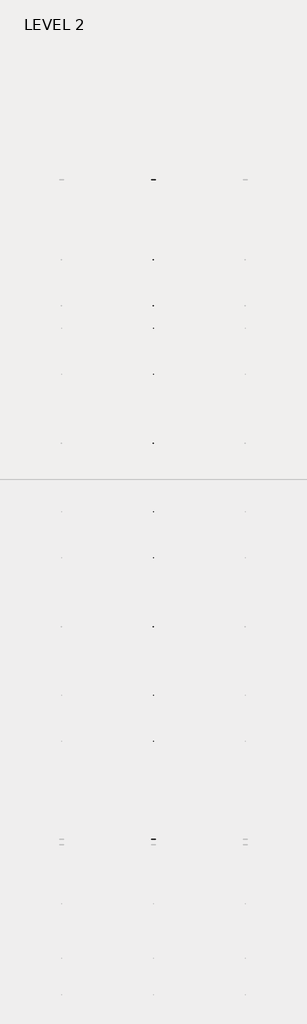
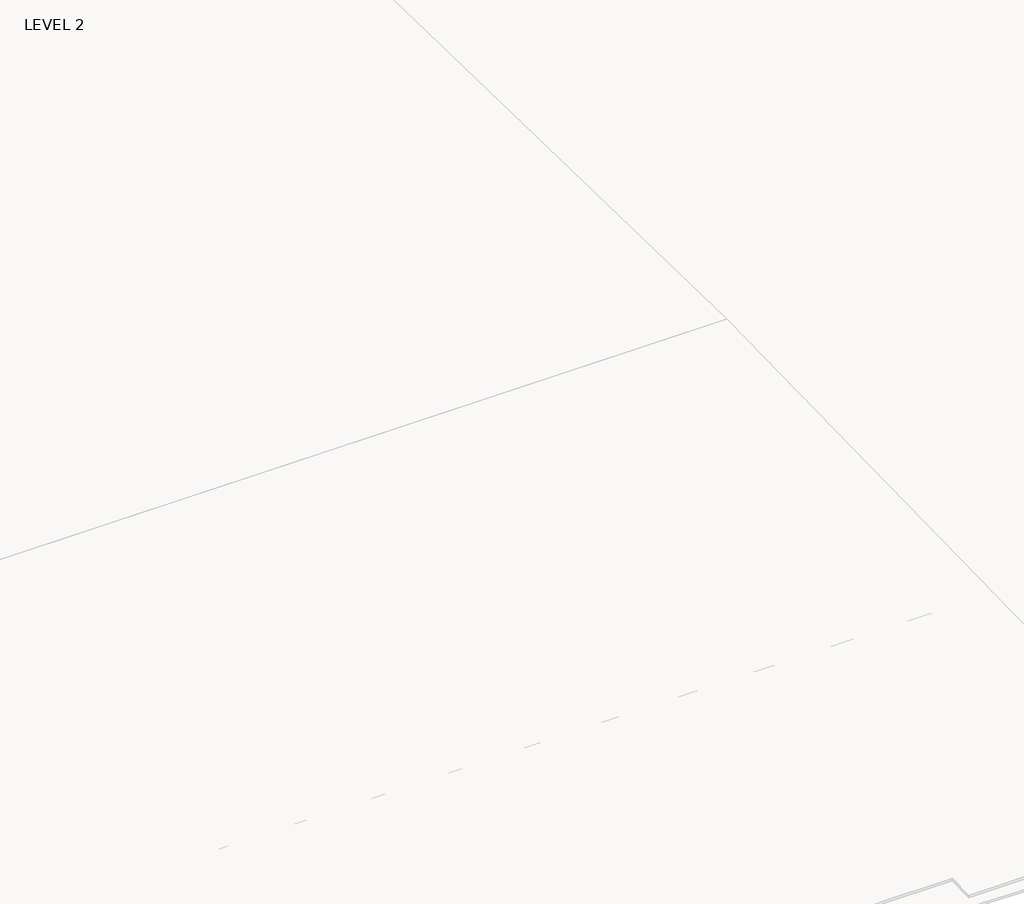
# One storey, part 62 of 67: 1 beam.
"""IFC4 building model written with IfcOpenShell, lengths in millimetres."""

import ifcopenshell
import ifcopenshell.guid

model = None  # the IFC model being written
_history = None  # IfcOwnerHistory: only IFC2X3 demands one
_inside = {}  # id of a spatial element -> (the spatial element, [elements in it])
_under = {}  # id of a project, library or spatial element -> (it, [spatial elements below it])
_declared = {}  # id of a project -> (the project, [libraries it declares])
_typed = {}  # id of a type object -> (the type object, [elements of that type])
_made_of = {}  # id of a material, layer set ... -> (it, [elements and type objects made of it])


def new_model(schema):
    """Start an empty IFC model of exactly this schema.

    Asked for "IFC4X3", IfcOpenShell would pick the latest addendum, in which some entities
    have other attributes; the version numbers below select the first issue.
    IFC2X3 requires an IfcOwnerHistory on every rooted entity: one is made here for all.
    """
    global model, _history
    if schema == "IFC4X3":
        model = ifcopenshell.file(schema_version=(4, 3, 0, 0))
    else:
        model = ifcopenshell.file(schema=schema)
    _inside.clear()
    _under.clear()
    _declared.clear()
    _typed.clear()
    _made_of.clear()
    _history = None
    if model.schema == "IFC2X3":
        org = make("IfcOrganization", Name="unknown")
        user = make(
            "IfcPersonAndOrganization",
            ThePerson=make("IfcPerson", FamilyName="unknown"),
            TheOrganization=org,
        )
        app = make(
            "IfcApplication",
            ApplicationDeveloper=org,
            Version="unknown",
            ApplicationFullName="unknown",
            ApplicationIdentifier="unknown",
        )
        _history = make(
            "IfcOwnerHistory",
            OwningUser=user,
            OwningApplication=app,
            ChangeAction="ADDED",
            CreationDate=0,
        )
    return model


def make(cls, **values):
    """One entity of the class cls with the attributes given. An attribute that is None is left unset."""
    return model.create_entity(
        cls, **{name: value for name, value in values.items() if value is not None}
    )


def rooted(cls, **values):
    """An entity with a GlobalId (a new one), such as an element, a storey or a relation."""
    return make(cls, GlobalId=ifcopenshell.guid.new(), OwnerHistory=_history, **values)


def si_unit(unit_type, name, prefix=None):
    """IfcSIUnit, for example si_unit("LENGTHUNIT", "METRE", prefix="MILLI")."""
    return make("IfcSIUnit", UnitType=unit_type, Prefix=prefix, Name=name)


def assignment(units):
    """IfcUnitAssignment: the units of a project."""
    return None if units is None else make("IfcUnitAssignment", Units=units)


def point(xyz):
    """IfcCartesianPoint."""
    return None if xyz is None else make("IfcCartesianPoint", Coordinates=xyz)


def direction(xyz):
    """IfcDirection."""
    return None if xyz is None else make("IfcDirection", DirectionRatios=xyz)


def frame(location, z_axis=None, x_axis=None):
    """IfcAxis2Placement3D, a coordinate frame: its origin and axes. An axis left out is left unset."""
    return make(
        "IfcAxis2Placement3D",
        Location=point(location),
        Axis=direction(z_axis),
        RefDirection=direction(x_axis),
    )


def origin():
    """The frame at (0, 0, 0) with its axes left unset."""
    return frame((0.0, 0.0, 0.0))


def place(relative_to, where):
    """IfcLocalPlacement: puts the frame where relative to a parent placement (None: the world)."""
    return make(
        "IfcLocalPlacement", PlacementRelTo=relative_to, RelativePlacement=where
    )


def context(
    kind, dimensions, precision=None, world=None, true_north=None, identifier=None
):
    """IfcGeometricRepresentationContext, for example the 3D "Model" context."""
    return make(
        "IfcGeometricRepresentationContext",
        ContextIdentifier=identifier,
        ContextType=kind,
        CoordinateSpaceDimension=dimensions,
        Precision=precision,
        WorldCoordinateSystem=world,
        TrueNorth=true_north,
    )


def project(units=None, contexts=None):
    """IfcProject with its units and contexts."""
    return rooted(
        "IfcProject",
        Name="project",
        RepresentationContexts=contexts,
        UnitsInContext=assignment(units),
    )


def spatial(cls, under=None, at=None, **own):
    """A site, building, storey or space (cls), placed at a placement, below another one or the project."""
    s = rooted(cls, ObjectPlacement=at, **own)
    if under is not None:
        _under.setdefault(under.id(), (under, []))[1].append(s)
    return s


def polyline(points):
    """IfcPolyline through the points."""
    return make("IfcPolyline", Points=[point(p) for p in points])


def outline(outer, holes=None, kind="AREA"):
    """IfcArbitraryClosedProfileDef: a profile drawn as a closed curve; with holes, ...WithVoids."""
    if holes is None:
        return make("IfcArbitraryClosedProfileDef", ProfileType=kind, OuterCurve=outer)
    return make(
        "IfcArbitraryProfileDefWithVoids",
        ProfileType=kind,
        OuterCurve=outer,
        InnerCurves=holes,
    )


def extrude(swept, where, along, depth):
    """IfcExtrudedAreaSolid: the profile swept, set in the frame where, extruded along a direction by depth."""
    return make(
        "IfcExtrudedAreaSolid",
        SweptArea=swept,
        Position=where,
        ExtrudedDirection=direction(along),
        Depth=depth,
    )


def faces_of(points, faces, orient=None, outer=None):
    """IfcFace entities. A face is a list of loops; a loop is a list of indices into points, from 0.

    orient and outer hold one flag for each loop. By default every Orientation is true, the
    first loop of a face is its IfcFaceOuterBound and the others are IfcFaceBound.
    """
    made = []
    for i, loops in enumerate(faces):
        bounds = []
        for j, loop in enumerate(loops):
            is_outer = j == 0 if outer is None else outer[i][j]
            bounds.append(
                make(
                    "IfcFaceOuterBound" if is_outer else "IfcFaceBound",
                    Bound=make("IfcPolyLoop", Polygon=[points[k] for k in loop]),
                    Orientation=True if orient is None else orient[i][j],
                )
            )
        made.append(make("IfcFace", Bounds=bounds))
    return made


def faceted_brep(points, faces, orient=None, outer=None, voids=None):
    """IfcFacetedBrep: a solid bounded by flat faces; with voids (closed shells), ...WithVoids."""
    shared = [point(p) for p in points]
    hull = make("IfcClosedShell", CfsFaces=faces_of(shared, faces, orient, outer))
    if voids is None:
        return make("IfcFacetedBrep", Outer=hull)
    return make(
        "IfcFacetedBrepWithVoids",
        Outer=hull,
        Voids=[
            make(cls, CfsFaces=faces_of(shared, fs, o, b)) for cls, fs, o, b in voids
        ],
    )


def shape(context_of_items, identifier, shape_type, items):
    """IfcShapeRepresentation: the items that make up one representation, for example the "Body"."""
    return make(
        "IfcShapeRepresentation",
        ContextOfItems=context_of_items,
        RepresentationIdentifier=identifier,
        RepresentationType=shape_type,
        Items=items,
    )


def made_of(thing, what):
    """Note that an element or type object is made of a material, layer set ...; save() writes the relation."""
    if what is not None:
        _made_of.setdefault(what.id(), (what, []))[1].append(thing)
    return thing


def element(
    cls,
    number,
    at=None,
    inside=None,
    cuts=None,
    type_object=None,
    material=None,
    context=None,
    identifier="Body",
    shape_type=None,
    held_by="IfcProductDefinitionShape",
    body=None,
    shapes=None,
    **own,
):
    """One element of the class cls, such as IfcWall. Its Tag is "e" and its number.

    at: its placement. inside: the storey or other place that contains it. cuts: it is an
    opening in that element (IfcRelVoidsElement). A single representation is given by context,
    identifier, shape_type and body (its items); several are given by shapes. held_by: the class
    of the entity that holds the representations. save() writes the other relations.
    """
    e = rooted(cls, Tag="e%d" % number, ObjectPlacement=at, **own)
    if body is not None:
        shapes = [shape(context, identifier, shape_type, body)]
    if shapes is not None:
        e.Representation = make(held_by, Representations=shapes)
    if inside is not None:
        _inside.setdefault(inside.id(), (inside, []))[1].append(e)
    if cuts is not None:
        rooted(
            "IfcRelVoidsElement", RelatingBuildingElement=cuts, RelatedOpeningElement=e
        )
    if type_object is not None:
        _typed.setdefault(type_object.id(), (type_object, []))[1].append(e)
    return made_of(e, material)


def aggregate(whole, parts):
    """IfcRelAggregates: a whole, such as a stair, and the parts it consists of."""
    return rooted("IfcRelAggregates", RelatingObject=whole, RelatedObjects=parts)


def save(model, path):
    """Write the relations noted so far, then the file.

    IfcRelAggregates (storeys below a building ...), IfcRelContainedInSpatialStructure (elements
    in a storey), IfcRelDefinesByType, IfcRelAssociatesMaterial and IfcRelDeclares: one each for
    every whole, place, type object, material and project.
    """
    for whole, parts in _under.values():
        aggregate(whole, parts)
    for where, things in _inside.values():
        rooted(
            "IfcRelContainedInSpatialStructure",
            RelatedElements=things,
            RelatingStructure=where,
        )
    for kind, things in _typed.values():
        rooted("IfcRelDefinesByType", RelatedObjects=things, RelatingType=kind)
    for what, things in _made_of.values():
        rooted("IfcRelAssociatesMaterial", RelatedObjects=things, RelatingMaterial=what)
    for by, libraries in _declared.values():
        rooted("IfcRelDeclares", RelatingContext=by, RelatedDefinitions=libraries)
    model.write(path)


model = new_model("IFC4")

# Units and contexts
model_context = context("Model", 3, world=origin())
ifc_project = project(units=[si_unit("LENGTHUNIT", "METRE", prefix="MILLI")], contexts=[model_context])

# Site, building, storey
site = spatial("IfcSite", under=ifc_project)
building = spatial("IfcBuilding", under=site)
storey = spatial("IfcBuildingStorey", under=building, Name="LEVEL 2", Elevation=6908.8)

# Beam
placement = place(None, origin())
element("IfcBeam", 1, ObjectType="K-Series Bar Joist-Angle Web : 30K7", at=placement, inside=storey, context=model_context, shape_type="SolidModel", body=[
    extrude(outline(polyline([(0.0, -9.525), (0.0, 0.0), (1596.011582, 0.0), (1596.011582, -9.525), (0.0, -9.525)])), frame((57248.2658942, 3035.5608234, 6301.5998528), z_axis=(0.0, -0.45537207995192985, 0.8903012236317849), x_axis=(0.0, -0.8903012236317849, -0.45537207995192985)), (0.0, 0.0, 1.0), 9.525),
    extrude(outline(polyline([(0.0, -9.525), (0.0, 0.0), (1596.011582, 0.0), (1596.011582, -9.525), (0.0, -9.525)])), frame((57238.7408942, -9405.2089013, 6276.405159), z_axis=(0.0, 0.45176233395621196, 0.8921383265046045), x_axis=(0.0, 0.8921383265046045, -0.45176233395621196)), (0.0, 0.0, 1.0), 9.525),
    extrude(outline(polyline([(4.7625, 4.7625), (4.7625, -4.7625), (-4.7625, -4.7625), (-4.7625, 4.7625), (4.7625, 4.7625)])), frame((57243.5033942, 1612.4610495, 5579.0607987), z_axis=(0.0, 0.5141906943646374, 0.8576758885667779), x_axis=(-1.0, 0.0, 0.0)), (0.0, 0.0, 1.0), 845.0528554),
    extrude(outline(polyline([(4.7625, 4.7625), (4.7625, -4.7625), (-4.7625, -4.7625), (-4.7625, 4.7625), (4.7625, 4.7625)])), frame((57243.5033942, -7979.1942813, 5559.6360505), z_axis=(0.0, -0.5176603441548682, 0.8555862131249332), x_axis=(-1.0, 0.0, 0.0)), (0.0, 0.0, 1.0), 845.0528554),
    extrude(outline(polyline([(0.0, 0.0), (31.75, 0.0), (31.75, -6.35), (6.35, -6.35), (6.35, -31.75), (0.0, -31.75), (0.0, 0.0)])), frame((57248.2658942, -8080.7812131, 5553.0803065), z_axis=(0.0, 0.9999979493462576, 0.0020251674695521043), x_axis=(1.0, 0.0, 0.0)), (0.0, 0.0, 1.0), 9794.875),
    extrude(outline(polyline([(-9.525, 0.0), (-9.525, -31.75), (-15.875, -31.75), (-15.875, -6.35), (-41.275, -6.35), (-41.275, 0.0), (-9.525, 0.0)])), frame((57248.2658942, -8080.7812131, 5553.0803065), z_axis=(0.0, 0.9999979493462576, 0.0020251674695521043), x_axis=(1.0, 0.0, 0.0)), (0.0, 0.0, 1.0), 9794.875),
    extrude(outline(polyline([(-31.75, 0.0), (0.0, 0.0), (0.0, -6.35), (-25.4, -6.35), (-25.4, -31.75), (-31.75, -31.75), (-31.75, 0.0)])), frame((57280.0158942, -9504.5928758, 6248.6982759), z_axis=(0.0, 0.9999979493462576, 0.0020251674695521043), x_axis=(1.0, 0.0, 0.0)), (0.0, 0.0, 1.0), 101.6),
    extrude(outline(polyline([(-41.275, 0.0), (-41.275, -31.75), (-47.625, -31.75), (-47.625, -6.35), (-73.025, -6.35), (-73.025, 0.0), (-41.275, 0.0)])), frame((57280.0158942, -9504.5928758, 6248.6982759), z_axis=(0.0, 0.9999979493462576, 0.0020251674695521043), x_axis=(1.0, 0.0, 0.0)), (0.0, 0.0, 1.0), 101.6),
    extrude(outline(polyline([(0.0, 0.0), (31.75, 0.0), (31.75, -6.35), (6.35, -6.35), (6.35, -31.75), (0.0, -31.75), (0.0, 0.0)])), frame((57238.7408942, 3033.456413, 6274.0899775), z_axis=(0.0, 0.9999979493462576, 0.0020251674695521043), x_axis=(0.0, -0.0020251674695521043, 0.9999979493462576)), (0.0, 0.0, 1.0), 101.6),
    extrude(outline(polyline([(0.0, 41.275), (6.35, 41.275), (6.35, 15.875), (31.75, 15.875), (31.75, 9.525), (0.0, 9.525), (0.0, 41.275)])), frame((57238.7408942, 3033.456413, 6274.0899775), z_axis=(0.0, 0.9999979493462576, 0.0020251674695521043), x_axis=(0.0, -0.0020251674695521043, 0.9999979493462576)), (0.0, 0.0, 1.0), 101.6),
    extrude(outline(polyline([(0.0, 0.0), (31.75, 0.0), (31.75, -6.35), (6.35, -6.35), (6.35, -31.75), (0.0, -31.75), (0.0, 0.0)])), frame((57248.2658942, -9504.7214739, 6312.1981457), z_axis=(0.0, 0.9999979493462576, 0.0020251674695521043), x_axis=(0.0, 0.0020251674695521043, -0.9999979493462576)), (0.0, 0.0, 1.0), 12639.675),
    extrude(outline(polyline([(0.0, 9.525), (0.0, 41.275), (6.35, 41.275), (6.35, 15.875), (31.75, 15.875), (31.75, 9.525), (0.0, 9.525)])), frame((57248.2658942, -9504.7214739, 6312.1981457), z_axis=(0.0, 0.9999979493462576, 0.0020251674695521043), x_axis=(0.0, 0.0020251674695521043, -0.9999979493462576)), (0.0, 0.0, 1.0), 12639.675),
    faceted_brep([(57243.5033942, 1612.4289, 5594.9357661), (57243.5033942, 1612.4674794, 5575.8858052), (57238.7408942, 1612.4674794, 5575.8858052), (57238.7408942, 1612.4289, 5594.9357661), (57243.5033942, 1611.5910583, 5594.9340693), (57243.5033942, 1186.8149607, 6330.6753354), (57243.5033942, 1168.6028414, 6330.6384527), (57243.5033942, 1168.6414208, 6311.5884918), (57243.5033942, 1175.8292494, 6311.6030483), (57243.5033942, 1600.6053471, 5575.8617823), (57238.7408942, 1600.6053471, 5575.8617823), (57238.7408942, 1580.4651011, 5610.7460665), (57238.7408942, 1584.5895575, 5613.1272983), (57238.7408942, 1189.1083632, 6298.1277874), (57238.7408942, 1184.9839067, 6295.7465555), (57238.7408942, 1175.8292494, 6311.6030483), (57238.7408942, 1168.6414208, 6311.5884918), (57238.7408942, 1168.6028414, 6330.6384527), (57238.7408942, 1186.8149607, 6330.6753354), (57238.7408942, 1611.5910583, 5594.9340693), (57226.0408942, 1184.9839067, 6295.7465555), (57226.0408942, 1580.4651011, 5610.7460665), (57226.0408942, 1584.5895575, 5613.1272983), (57226.0408942, 1189.1083632, 6298.1277874)], [[[0, 1, 2, 3]], [[1, 0, 4, 5, 6, 7, 8, 9]], [[2, 1, 9, 10]], [[3, 2, 10, 11, 12, 13, 14, 15, 16, 17, 18, 19]], [[0, 3, 19, 4]], [[9, 8, 15, 14, 20, 21, 11, 10]], [[5, 4, 19, 18]], [[7, 6, 17, 16]], [[8, 7, 16, 15]], [[6, 5, 18, 17]], [[21, 22, 12, 11]], [[20, 14, 13, 23]], [[22, 21, 20, 23]], [[12, 22, 23, 13]]]),
    extrude(outline(polyline([(740.498813, 5574.119919), (740.4602335, 5593.1698799), (741.2980751, 5593.1715767), (1163.090696, 6330.6272897), (1181.3028154, 6330.6641723), (1181.3413948, 6311.6142114), (1174.1535662, 6311.5996548), (752.3609453, 5574.1439418), (740.498813, 5574.119919)])), frame((57243.5033942, 0.0, 0.0), z_axis=(1.0, 0.0, 0.0), x_axis=(0.0, 1.0, 0.0)), (0.0, 0.0, 1.0), 4.7625),
    extrude(outline(polyline([(-4.7625, 4.7625), (-4.7625, 0.0), (-17.4625, 0.0), (-17.4625, 4.7625), (-4.7625, 4.7625)])), frame((57243.5033942, 772.3597334, 5609.1095144), z_axis=(0.0, 0.4964843899757221, 0.8680456500152716), x_axis=(-1.0, 0.0, 0.0)), (0.0, 0.0, 1.0), 790.9684223),
    faceted_brep([(57243.5033942, -7107.2577644, 5577.2769041), (57243.5033942, -7107.219185, 5558.2269432), (57238.7408942, -7107.219185, 5558.2269432), (57238.7408942, -7107.2577644, 5577.2769041), (57243.5033942, -7108.095606, 5577.2752074), (57243.5033942, -7532.8717036, 6313.0164734), (57243.5033942, -7551.083823, 6312.9795907), (57243.5033942, -7551.0452435, 6293.9296298), (57243.5033942, -7543.8574149, 6293.9441864), (57243.5033942, -7119.0813173, 5558.2029203), (57238.7408942, -7119.0813173, 5558.2029203), (57238.7408942, -7139.2215633, 5593.0872045), (57238.7408942, -7135.0971068, 5595.4684363), (57238.7408942, -7530.5783012, 6280.4689254), (57238.7408942, -7534.7027576, 6278.0876936), (57238.7408942, -7543.8574149, 6293.9441864), (57238.7408942, -7551.0452435, 6293.9296298), (57238.7408942, -7551.083823, 6312.9795907), (57238.7408942, -7532.8717036, 6313.0164734), (57238.7408942, -7108.095606, 5577.2752074), (57226.0408942, -7534.7027576, 6278.0876936), (57226.0408942, -7139.2215633, 5593.0872045), (57226.0408942, -7135.0971068, 5595.4684363), (57226.0408942, -7530.5783012, 6280.4689254)], [[[0, 1, 2, 3]], [[1, 0, 4, 5, 6, 7, 8, 9]], [[2, 1, 9, 10]], [[3, 2, 10, 11, 12, 13, 14, 15, 16, 17, 18, 19]], [[0, 3, 19, 4]], [[9, 8, 15, 14, 20, 21, 11, 10]], [[5, 4, 19, 18]], [[7, 6, 17, 16]], [[8, 7, 16, 15]], [[6, 5, 18, 17]], [[21, 22, 12, 11]], [[20, 14, 13, 23]], [[22, 21, 20, 23]], [[12, 22, 23, 13]]]),
    extrude(outline(polyline([(-7979.1878514, 5556.461057), (-7979.2264308, 5575.5110179), (-7978.3885892, 5575.5127147), (-7556.5959683, 6312.9684277), (-7538.383849, 6313.0053103), (-7538.3452696, 6293.9553494), (-7545.5330982, 6293.9407928), (-7967.3257191, 5556.4850798), (-7979.1878514, 5556.461057)])), frame((57243.5033942, 0.0, 0.0), z_axis=(1.0, 0.0, 0.0), x_axis=(0.0, 1.0, 0.0)), (0.0, 0.0, 1.0), 4.7625),
    extrude(outline(polyline([(-4.7625, 4.7625), (-4.7625, 0.0), (-17.4625, 0.0), (-17.4625, 4.7625), (-4.7625, 4.7625)])), frame((57243.5033942, -7947.326931, 5591.4506524), z_axis=(0.0, 0.4964843899757221, 0.8680456500152716), x_axis=(-1.0, 0.0, 0.0)), (0.0, 0.0, 1.0), 790.9684223),
    faceted_brep([(57243.5033942, 740.4602335, 5593.1698799), (57243.5033942, 740.498813, 5574.119919), (57238.7408942, 740.498813, 5574.119919), (57238.7408942, 740.4602335, 5593.1698799), (57243.5033942, 739.6223919, 5593.1681831), (57243.5033942, 314.8462943, 6328.9094492), (57243.5033942, 296.634175, 6328.8725665), (57243.5033942, 296.6727544, 6309.8226056), (57243.5033942, 303.860583, 6309.8371621), (57243.5033942, 728.6366806, 5574.0958961), (57238.7408942, 728.6366806, 5574.0958961), (57238.7408942, 708.4964346, 5608.9801803), (57238.7408942, 712.6208911, 5611.3614121), (57238.7408942, 317.1396968, 6296.3619012), (57238.7408942, 313.0152403, 6293.9806693), (57238.7408942, 303.860583, 6309.8371621), (57238.7408942, 296.6727544, 6309.8226056), (57238.7408942, 296.634175, 6328.8725665), (57238.7408942, 314.8462943, 6328.9094492), (57238.7408942, 739.6223919, 5593.1681831), (57226.0408942, 313.0152403, 6293.9806693), (57226.0408942, 708.4964346, 5608.9801803), (57226.0408942, 712.6208911, 5611.3614121), (57226.0408942, 317.1396968, 6296.3619012)], [[[0, 1, 2, 3]], [[1, 0, 4, 5, 6, 7, 8, 9]], [[2, 1, 9, 10]], [[3, 2, 10, 11, 12, 13, 14, 15, 16, 17, 18, 19]], [[0, 3, 19, 4]], [[9, 8, 15, 14, 20, 21, 11, 10]], [[5, 4, 19, 18]], [[7, 6, 17, 16]], [[8, 7, 16, 15]], [[6, 5, 18, 17]], [[21, 22, 12, 11]], [[20, 14, 13, 23]], [[22, 21, 20, 23]], [[12, 22, 23, 13]]]),
    extrude(outline(polyline([(-131.4698535, 5572.3540328), (-131.5084329, 5591.4039937), (-130.6705913, 5591.4056905), (291.1220296, 6328.8614035), (309.3341489, 6328.8982861), (309.3727284, 6309.8483252), (302.1848998, 6309.8337686), (-119.6077211, 5572.3780556), (-131.4698535, 5572.3540328)])), frame((57243.5033942, 0.0, 0.0), z_axis=(1.0, 0.0, 0.0), x_axis=(0.0, 1.0, 0.0)), (0.0, 0.0, 1.0), 4.7625),
    extrude(outline(polyline([(-4.7625, 4.7625), (-4.7625, 0.0), (-17.4625, 0.0), (-17.4625, 4.7625), (-4.7625, 4.7625)])), frame((57243.5033942, -99.6089331, 5607.3436282), z_axis=(0.0, 0.4964843899757221, 0.8680456500152716), x_axis=(-1.0, 0.0, 0.0)), (0.0, 0.0, 1.0), 790.9684223),
    faceted_brep([(57243.5033942, -131.5084329, 5591.4039937), (57243.5033942, -131.4698535, 5572.3540328), (57238.7408942, -131.4698535, 5572.3540328), (57238.7408942, -131.5084329, 5591.4039937), (57243.5033942, -132.3462745, 5591.4022969), (57243.5033942, -557.1223722, 6327.143563), (57243.5033942, -575.3344915, 6327.1066803), (57243.5033942, -575.295912, 6308.0567194), (57243.5033942, -568.1080834, 6308.0712759), (57243.5033942, -143.3319858, 5572.3300099), (57238.7408942, -143.3319858, 5572.3300099), (57238.7408942, -163.4722318, 5607.2142941), (57238.7408942, -159.3477753, 5609.5955259), (57238.7408942, -554.8289697, 6294.596015), (57238.7408942, -558.9534262, 6292.2147831), (57238.7408942, -568.1080834, 6308.0712759), (57238.7408942, -575.295912, 6308.0567194), (57238.7408942, -575.3344915, 6327.1066803), (57238.7408942, -557.1223722, 6327.143563), (57238.7408942, -132.3462745, 5591.4022969), (57226.0408942, -558.9534262, 6292.2147831), (57226.0408942, -163.4722318, 5607.2142941), (57226.0408942, -159.3477753, 5609.5955259), (57226.0408942, -554.8289697, 6294.596015)], [[[0, 1, 2, 3]], [[1, 0, 4, 5, 6, 7, 8, 9]], [[2, 1, 9, 10]], [[3, 2, 10, 11, 12, 13, 14, 15, 16, 17, 18, 19]], [[0, 3, 19, 4]], [[9, 8, 15, 14, 20, 21, 11, 10]], [[5, 4, 19, 18]], [[7, 6, 17, 16]], [[8, 7, 16, 15]], [[6, 5, 18, 17]], [[21, 22, 12, 11]], [[20, 14, 13, 23]], [[22, 21, 20, 23]], [[12, 22, 23, 13]]]),
    extrude(outline(polyline([(-1003.4385199, 5570.5881466), (-1003.4770993, 5589.6381075), (-1002.6392577, 5589.6398043), (-580.8466368, 6327.0955173), (-562.6345175, 6327.1323999), (-562.5959381, 6308.082439), (-569.7837667, 6308.0678824), (-991.5763876, 5570.6121694), (-1003.4385199, 5570.5881466)])), frame((57243.5033942, 0.0, 0.0), z_axis=(1.0, 0.0, 0.0), x_axis=(0.0, 1.0, 0.0)), (0.0, 0.0, 1.0), 4.7625),
    extrude(outline(polyline([(-4.7625, 4.7625), (-4.7625, 0.0), (-17.4625, 0.0), (-17.4625, 4.7625), (-4.7625, 4.7625)])), frame((57243.5033942, -971.5775995, 5605.577742), z_axis=(0.0, 0.4964843899757221, 0.8680456500152716), x_axis=(-1.0, 0.0, 0.0)), (0.0, 0.0, 1.0), 790.9684223),
    faceted_brep([(57243.5033942, -1003.4770993, 5589.6381075), (57243.5033942, -1003.4385199, 5570.5881466), (57238.7408942, -1003.4385199, 5570.5881466), (57238.7408942, -1003.4770993, 5589.6381075), (57243.5033942, -1004.314941, 5589.6364107), (57243.5033942, -1429.0910386, 6325.3776768), (57243.5033942, -1447.3031579, 6325.3407941), (57243.5033942, -1447.2645785, 6306.2908332), (57243.5033942, -1440.0767499, 6306.3053897), (57243.5033942, -1015.3006522, 5570.5641237), (57238.7408942, -1015.3006522, 5570.5641237), (57238.7408942, -1035.4408983, 5605.4484079), (57238.7408942, -1031.3164418, 5607.8296397), (57238.7408942, -1426.7976361, 6292.8301288), (57238.7408942, -1430.9220926, 6290.4488969), (57238.7408942, -1440.0767499, 6306.3053897), (57238.7408942, -1447.2645785, 6306.2908332), (57238.7408942, -1447.3031579, 6325.3407941), (57238.7408942, -1429.0910386, 6325.3776768), (57238.7408942, -1004.314941, 5589.6364107), (57226.0408942, -1430.9220926, 6290.4488969), (57226.0408942, -1035.4408983, 5605.4484079), (57226.0408942, -1031.3164418, 5607.8296397), (57226.0408942, -1426.7976361, 6292.8301288)], [[[0, 1, 2, 3]], [[1, 0, 4, 5, 6, 7, 8, 9]], [[2, 1, 9, 10]], [[3, 2, 10, 11, 12, 13, 14, 15, 16, 17, 18, 19]], [[0, 3, 19, 4]], [[9, 8, 15, 14, 20, 21, 11, 10]], [[5, 4, 19, 18]], [[7, 6, 17, 16]], [[8, 7, 16, 15]], [[6, 5, 18, 17]], [[21, 22, 12, 11]], [[20, 14, 13, 23]], [[22, 21, 20, 23]], [[12, 22, 23, 13]]]),
    extrude(outline(polyline([(-1875.4071863, 5568.8222604), (-1875.4457658, 5587.8722213), (-1874.6079242, 5587.8739181), (-1452.8153033, 6325.3296311), (-1434.6031839, 6325.3665137), (-1434.5646045, 6306.3165528), (-1441.7524331, 6306.3019962), (-1863.545054, 5568.8462832), (-1875.4071863, 5568.8222604)])), frame((57243.5033942, 0.0, 0.0), z_axis=(1.0, 0.0, 0.0), x_axis=(0.0, 1.0, 0.0)), (0.0, 0.0, 1.0), 4.7625),
    extrude(outline(polyline([(-4.7625, 4.7625001), (-4.7625, 0.0), (-17.4625, 0.0), (-17.4625, 4.7625001), (-4.7625, 4.7625001)])), frame((57243.5033942, -1843.5462659, 5603.8118558), z_axis=(0.0, 0.4964843899757221, 0.8680456500152716), x_axis=(-1.0, 0.0, 0.0)), (0.0, 0.0, 1.0), 790.9684223),
    faceted_brep([(57243.5033942, -1875.4457658, 5587.8722213), (57243.5033942, -1875.4071863, 5568.8222604), (57238.7408942, -1875.4071863, 5568.8222604), (57238.7408942, -1875.4457658, 5587.8722213), (57243.5033942, -1876.2836074, 5587.8705245), (57243.5033942, -2301.059705, 6323.6117906), (57243.5033942, -2319.2718243, 6323.5749079), (57243.5033942, -2319.2332449, 6304.524947), (57243.5033942, -2312.0454163, 6304.5395035), (57243.5033942, -1887.2693187, 5568.7982375), (57238.7408942, -1887.2693187, 5568.7982375), (57238.7408942, -1907.4095647, 5603.6825217), (57238.7408942, -1903.2851082, 5606.0637535), (57238.7408942, -2298.7663026, 6291.0642426), (57238.7408942, -2302.890759, 6288.6830107), (57238.7408942, -2312.0454163, 6304.5395035), (57238.7408942, -2319.2332449, 6304.524947), (57238.7408942, -2319.2718243, 6323.5749079), (57238.7408942, -2301.059705, 6323.6117906), (57238.7408942, -1876.2836074, 5587.8705245), (57226.0408942, -2302.890759, 6288.6830107), (57226.0408942, -1907.4095647, 5603.6825217), (57226.0408942, -1903.2851082, 5606.0637535), (57226.0408942, -2298.7663026, 6291.0642426)], [[[0, 1, 2, 3]], [[1, 0, 4, 5, 6, 7, 8, 9]], [[2, 1, 9, 10]], [[3, 2, 10, 11, 12, 13, 14, 15, 16, 17, 18, 19]], [[0, 3, 19, 4]], [[9, 8, 15, 14, 20, 21, 11, 10]], [[5, 4, 19, 18]], [[7, 6, 17, 16]], [[8, 7, 16, 15]], [[6, 5, 18, 17]], [[21, 22, 12, 11]], [[20, 14, 13, 23]], [[22, 21, 20, 23]], [[12, 22, 23, 13]]]),
    extrude(outline(polyline([(-2747.3758528, 5567.0563742), (-2747.4144322, 5586.1063351), (-2746.5765906, 5586.1080319), (-2324.7839697, 6323.5637449), (-2306.5718504, 6323.6006275), (-2306.5332709, 6304.5506666), (-2313.7210995, 6304.53611), (-2735.5137204, 5567.080397), (-2747.3758528, 5567.0563742)])), frame((57243.5033942, 0.0, 0.0), z_axis=(1.0, 0.0, 0.0), x_axis=(0.0, 1.0, 0.0)), (0.0, 0.0, 1.0), 4.7625),
    extrude(outline(polyline([(-4.7625, 4.7625), (-4.7625, 0.0), (-17.4625, 0.0), (-17.4625, 4.7625), (-4.7625, 4.7625)])), frame((57243.5033942, -2715.5149324, 5602.0459696), z_axis=(0.0, 0.4964843899757221, 0.8680456500152716), x_axis=(-1.0, 0.0, 0.0)), (0.0, 0.0, 1.0), 790.9684223),
    faceted_brep([(57243.5033942, -2747.4144322, 5586.1063351), (57243.5033942, -2747.3758528, 5567.0563742), (57238.7408942, -2747.3758528, 5567.0563742), (57238.7408942, -2747.4144322, 5586.1063351), (57243.5033942, -2748.2522738, 5586.1046383), (57243.5033942, -3173.0283715, 6321.8459044), (57243.5033942, -3191.2404908, 6321.8090217), (57243.5033942, -3191.2019113, 6302.7590608), (57243.5033942, -3184.0140827, 6302.7736173), (57243.5033942, -2759.2379851, 5567.0323513), (57238.7408942, -2759.2379851, 5567.0323513), (57238.7408942, -2779.3782311, 5601.9166355), (57238.7408942, -2775.2537747, 5604.2978673), (57238.7408942, -3170.734969, 6289.2983564), (57238.7408942, -3174.8594255, 6286.9171245), (57238.7408942, -3184.0140827, 6302.7736173), (57238.7408942, -3191.2019113, 6302.7590608), (57238.7408942, -3191.2404908, 6321.8090217), (57238.7408942, -3173.0283715, 6321.8459044), (57238.7408942, -2748.2522738, 5586.1046383), (57226.0408942, -3174.8594255, 6286.9171245), (57226.0408942, -2779.3782311, 5601.9166355), (57226.0408942, -2775.2537747, 5604.2978673), (57226.0408942, -3170.734969, 6289.2983564)], [[[0, 1, 2, 3]], [[1, 0, 4, 5, 6, 7, 8, 9]], [[2, 1, 9, 10]], [[3, 2, 10, 11, 12, 13, 14, 15, 16, 17, 18, 19]], [[0, 3, 19, 4]], [[9, 8, 15, 14, 20, 21, 11, 10]], [[5, 4, 19, 18]], [[7, 6, 17, 16]], [[8, 7, 16, 15]], [[6, 5, 18, 17]], [[21, 22, 12, 11]], [[20, 14, 13, 23]], [[22, 21, 20, 23]], [[12, 22, 23, 13]]]),
    extrude(outline(polyline([(-3619.3445192, 5565.290488), (-3619.3830987, 5584.3404489), (-3618.545257, 5584.3421457), (-3196.7526361, 6321.7978587), (-3178.5405168, 6321.8347413), (-3178.5019374, 6302.7847804), (-3185.689766, 6302.7702238), (-3607.4823869, 5565.3145108), (-3619.3445192, 5565.290488)])), frame((57243.5033942, 0.0, 0.0), z_axis=(1.0, 0.0, 0.0), x_axis=(0.0, 1.0, 0.0)), (0.0, 0.0, 1.0), 4.7625),
    extrude(outline(polyline([(-4.7625, 4.7625), (-4.7625, 0.0), (-17.4625, 0.0), (-17.4625, 4.7625), (-4.7625, 4.7625)])), frame((57243.5033942, -3587.4835988, 5600.2800834), z_axis=(0.0, 0.4964843899757221, 0.8680456500152716), x_axis=(-1.0, 0.0, 0.0)), (0.0, 0.0, 1.0), 790.9684223),
    faceted_brep([(57243.5033942, -3619.3830987, 5584.3404489), (57243.5033942, -3619.3445192, 5565.290488), (57238.7408942, -3619.3445192, 5565.290488), (57238.7408942, -3619.3830987, 5584.3404489), (57243.5033942, -3620.2209403, 5584.3387521), (57243.5033942, -4044.9970379, 6320.0800182), (57243.5033942, -4063.2091572, 6320.0431355), (57243.5033942, -4063.1705778, 6300.9931746), (57243.5033942, -4055.9827492, 6301.0077311), (57243.5033942, -3631.2066516, 5565.2664651), (57238.7408942, -3631.2066516, 5565.2664651), (57238.7408942, -3651.3468976, 5600.1507493), (57238.7408942, -3647.2224411, 5602.5319811), (57238.7408942, -4042.7036354, 6287.5324702), (57238.7408942, -4046.8280919, 6285.1512383), (57238.7408942, -4055.9827492, 6301.0077311), (57238.7408942, -4063.1705778, 6300.9931746), (57238.7408942, -4063.2091572, 6320.0431355), (57238.7408942, -4044.9970379, 6320.0800182), (57238.7408942, -3620.2209403, 5584.3387521), (57226.0408942, -4046.8280919, 6285.1512383), (57226.0408942, -3651.3468976, 5600.1507493), (57226.0408942, -3647.2224411, 5602.5319811), (57226.0408942, -4042.7036354, 6287.5324702)], [[[0, 1, 2, 3]], [[1, 0, 4, 5, 6, 7, 8, 9]], [[2, 1, 9, 10]], [[3, 2, 10, 11, 12, 13, 14, 15, 16, 17, 18, 19]], [[0, 3, 19, 4]], [[9, 8, 15, 14, 20, 21, 11, 10]], [[5, 4, 19, 18]], [[7, 6, 17, 16]], [[8, 7, 16, 15]], [[6, 5, 18, 17]], [[21, 22, 12, 11]], [[20, 14, 13, 23]], [[22, 21, 20, 23]], [[12, 22, 23, 13]]]),
    extrude(outline(polyline([(-4491.3131857, 5563.5246018), (-4491.3517651, 5582.5745627), (-4490.5139235, 5582.5762595), (-4068.7213026, 6320.0319725), (-4050.5091833, 6320.0688551), (-4050.4706038, 6301.0188942), (-4057.6584324, 6301.0043376), (-4479.4510533, 5563.5486246), (-4491.3131857, 5563.5246018)])), frame((57243.5033942, 0.0, 0.0), z_axis=(1.0, 0.0, 0.0), x_axis=(0.0, 1.0, 0.0)), (0.0, 0.0, 1.0), 4.7625),
    extrude(outline(polyline([(-4.7625, 4.7625), (-4.7625, 0.0), (-17.4625, 0.0), (-17.4625, 4.7625), (-4.7625, 4.7625)])), frame((57243.5033942, -4459.4522653, 5598.5141972), z_axis=(0.0, 0.4964843899757221, 0.8680456500152716), x_axis=(-1.0, 0.0, 0.0)), (0.0, 0.0, 1.0), 790.9684223),
    faceted_brep([(57243.5033942, -4491.3517651, 5582.5745627), (57243.5033942, -4491.3131857, 5563.5246018), (57238.7408942, -4491.3131857, 5563.5246018), (57238.7408942, -4491.3517651, 5582.5745627), (57243.5033942, -4492.1896067, 5582.572866), (57243.5033942, -4916.9657043, 6318.314132), (57243.5033942, -4935.1778236, 6318.2772493), (57243.5033942, -4935.1392442, 6299.2272884), (57243.5033942, -4927.9514156, 6299.241845), (57243.5033942, -4503.175318, 5563.5005789), (57238.7408942, -4503.175318, 5563.5005789), (57238.7408942, -4523.315564, 5598.3848631), (57238.7408942, -4519.1911075, 5600.7660949), (57238.7408942, -4914.6723019, 6285.766584), (57238.7408942, -4918.7967583, 6283.3853521), (57238.7408942, -4927.9514156, 6299.241845), (57238.7408942, -4935.1392442, 6299.2272884), (57238.7408942, -4935.1778236, 6318.2772493), (57238.7408942, -4916.9657043, 6318.314132), (57238.7408942, -4492.1896067, 5582.572866), (57226.0408942, -4918.7967583, 6283.3853521), (57226.0408942, -4523.315564, 5598.3848631), (57226.0408942, -4519.1911075, 5600.7660949), (57226.0408942, -4914.6723019, 6285.766584)], [[[0, 1, 2, 3]], [[1, 0, 4, 5, 6, 7, 8, 9]], [[2, 1, 9, 10]], [[3, 2, 10, 11, 12, 13, 14, 15, 16, 17, 18, 19]], [[0, 3, 19, 4]], [[9, 8, 15, 14, 20, 21, 11, 10]], [[5, 4, 19, 18]], [[7, 6, 17, 16]], [[8, 7, 16, 15]], [[6, 5, 18, 17]], [[21, 22, 12, 11]], [[20, 14, 13, 23]], [[22, 21, 20, 23]], [[12, 22, 23, 13]]]),
    extrude(outline(polyline([(-5363.2818521, 5561.7587156), (-5363.3204315, 5580.8086765), (-5362.4825899, 5580.8103733), (-4940.689969, 6318.2660863), (-4922.4778497, 6318.3029689), (-4922.4392703, 6299.253008), (-4929.6270988, 6299.2384514), (-5351.4197198, 5561.7827384), (-5363.2818521, 5561.7587156)])), frame((57243.5033942, 0.0, 0.0), z_axis=(1.0, 0.0, 0.0), x_axis=(0.0, 1.0, 0.0)), (0.0, 0.0, 1.0), 4.7625),
    extrude(outline(polyline([(-4.7625, 4.7625), (-4.7625, 0.0), (-17.4625, 0.0), (-17.4625, 4.7625), (-4.7625, 4.7625)])), frame((57243.5033942, -5331.4209317, 5596.748311), z_axis=(0.0, 0.4964843899757221, 0.8680456500152716), x_axis=(-1.0, 0.0, 0.0)), (0.0, 0.0, 1.0), 790.9684223),
    faceted_brep([(57243.5033942, -5363.3204315, 5580.8086765), (57243.5033942, -5363.2818521, 5561.7587156), (57238.7408942, -5363.2818521, 5561.7587156), (57238.7408942, -5363.3204315, 5580.8086765), (57243.5033942, -5364.1582731, 5580.8069798), (57243.5033942, -5788.9343708, 6316.5482458), (57243.5033942, -5807.1464901, 6316.5113631), (57243.5033942, -5807.1079106, 6297.4614022), (57243.5033942, -5799.920082, 6297.4759588), (57243.5033942, -5375.1439844, 5561.7346927), (57238.7408942, -5375.1439844, 5561.7346927), (57238.7408942, -5395.2842304, 5596.6189769), (57238.7408942, -5391.159774, 5599.0002087), (57238.7408942, -5786.6409683, 6284.0006978), (57238.7408942, -5790.7654248, 6281.6194659), (57238.7408942, -5799.920082, 6297.4759588), (57238.7408942, -5807.1079106, 6297.4614022), (57238.7408942, -5807.1464901, 6316.5113631), (57238.7408942, -5788.9343708, 6316.5482458), (57238.7408942, -5364.1582731, 5580.8069798), (57226.0408942, -5790.7654248, 6281.6194659), (57226.0408942, -5395.2842304, 5596.6189769), (57226.0408942, -5391.159774, 5599.0002087), (57226.0408942, -5786.6409683, 6284.0006978)], [[[0, 1, 2, 3]], [[1, 0, 4, 5, 6, 7, 8, 9]], [[2, 1, 9, 10]], [[3, 2, 10, 11, 12, 13, 14, 15, 16, 17, 18, 19]], [[0, 3, 19, 4]], [[9, 8, 15, 14, 20, 21, 11, 10]], [[5, 4, 19, 18]], [[7, 6, 17, 16]], [[8, 7, 16, 15]], [[6, 5, 18, 17]], [[21, 22, 12, 11]], [[20, 14, 13, 23]], [[22, 21, 20, 23]], [[12, 22, 23, 13]]]),
    extrude(outline(polyline([(-6235.2505185, 5559.9928294), (-6235.289098, 5579.0427903), (-6234.4512563, 5579.0444871), (-5812.6586354, 6316.5002001), (-5794.4465161, 6316.5370827), (-5794.4079367, 6297.4871218), (-5801.5957653, 6297.4725652), (-6223.3883862, 5560.0168522), (-6235.2505185, 5559.9928294)])), frame((57243.5033942, 0.0, 0.0), z_axis=(1.0, 0.0, 0.0), x_axis=(0.0, 1.0, 0.0)), (0.0, 0.0, 1.0), 4.7625),
    extrude(outline(polyline([(-4.7625, 4.7625), (-4.7625, 0.0), (-17.4625, 0.0), (-17.4625, 4.7625), (-4.7625, 4.7625)])), frame((57243.5033942, -6203.3895981, 5594.9824248), z_axis=(0.0, 0.4964843899757221, 0.8680456500152716), x_axis=(-1.0, 0.0, 0.0)), (0.0, 0.0, 1.0), 790.9684223),
    faceted_brep([(57243.5033942, -6235.289098, 5579.0427903), (57243.5033942, -6235.2505185, 5559.9928294), (57238.7408942, -6235.2505185, 5559.9928294), (57238.7408942, -6235.289098, 5579.0427903), (57243.5033942, -6236.1269396, 5579.0410936), (57243.5033942, -6660.9030372, 6314.7823596), (57243.5033942, -6679.1151565, 6314.7454769), (57243.5033942, -6679.0765771, 6295.695516), (57243.5033942, -6671.8887485, 6295.7100726), (57243.5033942, -6247.1126509, 5559.9688065), (57238.7408942, -6247.1126509, 5559.9688065), (57238.7408942, -6267.2528969, 5594.8530907), (57238.7408942, -6263.1284404, 5597.2343225), (57238.7408942, -6658.6096347, 6282.2348116), (57238.7408942, -6662.7340912, 6279.8535798), (57238.7408942, -6671.8887485, 6295.7100726), (57238.7408942, -6679.0765771, 6295.695516), (57238.7408942, -6679.1151565, 6314.7454769), (57238.7408942, -6660.9030372, 6314.7823596), (57238.7408942, -6236.1269396, 5579.0410936), (57226.0408942, -6662.7340912, 6279.8535798), (57226.0408942, -6267.2528969, 5594.8530907), (57226.0408942, -6263.1284404, 5597.2343225), (57226.0408942, -6658.6096347, 6282.2348116)], [[[0, 1, 2, 3]], [[1, 0, 4, 5, 6, 7, 8, 9]], [[2, 1, 9, 10]], [[3, 2, 10, 11, 12, 13, 14, 15, 16, 17, 18, 19]], [[0, 3, 19, 4]], [[9, 8, 15, 14, 20, 21, 11, 10]], [[5, 4, 19, 18]], [[7, 6, 17, 16]], [[8, 7, 16, 15]], [[6, 5, 18, 17]], [[21, 22, 12, 11]], [[20, 14, 13, 23]], [[22, 21, 20, 23]], [[12, 22, 23, 13]]]),
    extrude(outline(polyline([(-7107.219185, 5558.2269432), (-7107.2577644, 5577.2769041), (-7106.4199228, 5577.2786009), (-6684.6273019, 6314.7343139), (-6666.4151826, 6314.7711965), (-6666.3766031, 6295.7212356), (-6673.5644317, 6295.706679), (-7095.3570526, 5558.250966), (-7107.219185, 5558.2269432)])), frame((57243.5033942, 0.0, 0.0), z_axis=(1.0, 0.0, 0.0), x_axis=(0.0, 1.0, 0.0)), (0.0, 0.0, 1.0), 4.7625),
    extrude(outline(polyline([(-4.7625, 4.7625), (-4.7625, 0.0), (-17.4625, 0.0), (-17.4625, 4.7625), (-4.7625, 4.7625)])), frame((57243.5033942, -7075.3582646, 5593.2165386), z_axis=(0.0, 0.4964843899757221, 0.8680456500152716), x_axis=(-1.0, 0.0, 0.0)), (0.0, 0.0, 1.0), 790.9684223),
])

save(model, "model.ifc")
